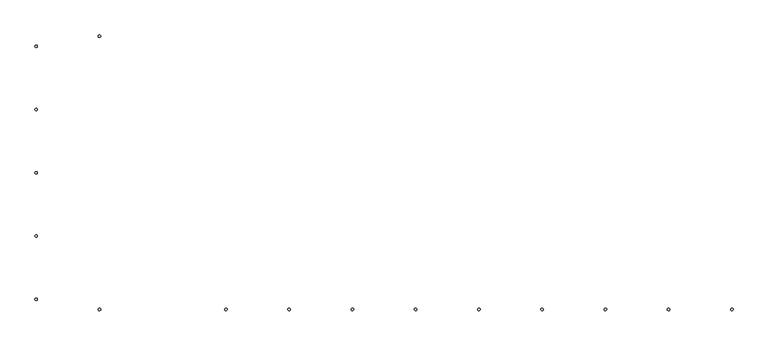
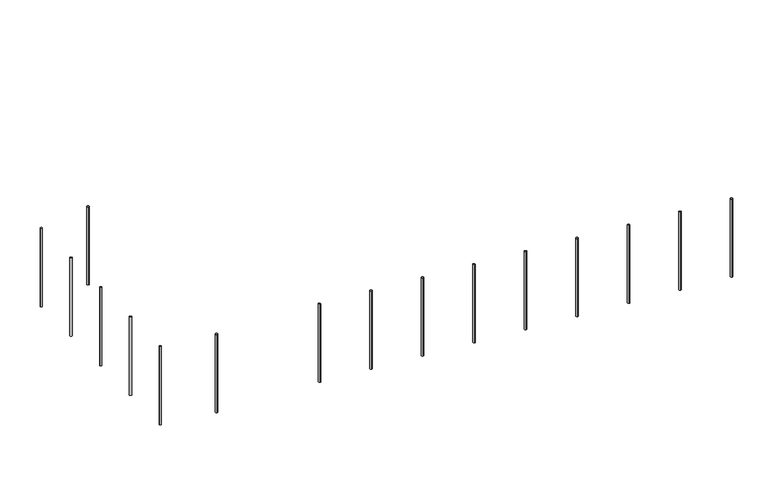
"""IFC4 building model written with IfcOpenShell, lengths in millimetres: railing geometry."""

from ifc_helpers import new_model, si_unit, point, frame, frame_2d, origin, place, context, project, spatial, circle_curve, ellipse_curve, trimmed, segment, composite_curve, outline, extrude, source, transform, mapped, element, save
from ifc_brep_helpers import plane_surface, cylinder_surface, advanced_brep


def railing_62f6c8e6(model_context):
    return source(origin(), model_context, "Body", "SolidModel", [
        extrude(outline(composite_curve([segment(trimmed(circle_curve(frame_2d((7360.0112841, -18536.8920513)), 10.0), [point((7360.0112841, -18526.8920513))], [point((7360.0112841, -18546.8920513))], False, "CARTESIAN"), True, "CONTINUOUS"), segment(trimmed(circle_curve(frame_2d((7360.0112841, -18536.8920513)), 10.0), [point((7360.0112841, -18546.8920513))], [point((7360.0112841, -18526.8920513))], False, "CARTESIAN"), True, "CONTINUOUS")], self_intersect=False)), frame((0.0, 0.0, -740.0), z_axis=(0.0, 0.0, 1.0), x_axis=(1.0, 0.0, 0.0)), (0.0, 0.0, 1.0), 800.0),
        extrude(outline(composite_curve([segment(trimmed(circle_curve(frame_2d((6860.0112841, -18616.8920513)), 10.0), [point((6850.0112841, -18616.8920513))], [point((6870.0112841, -18616.8920513))], False, "CARTESIAN"), True, "CONTINUOUS"), segment(trimmed(circle_curve(frame_2d((6860.0112841, -18616.8920513)), 10.0), [point((6870.0112841, -18616.8920513))], [point((6850.0112841, -18616.8920513))], False, "CARTESIAN"), True, "CONTINUOUS")], self_intersect=False)), frame((0.0, 0.0, -740.0), z_axis=(0.0, 0.0, 1.0), x_axis=(1.0, 0.0, 0.0)), (0.0, 0.0, 1.0), 800.0),
        extrude(outline(composite_curve([segment(trimmed(circle_curve(frame_2d((6860.0112841, -19116.8920513)), 10.0), [point((6850.0112841, -19116.8920513))], [point((6870.0112841, -19116.8920513))], False, "CARTESIAN"), True, "CONTINUOUS"), segment(trimmed(circle_curve(frame_2d((6860.0112841, -19116.8920513)), 10.0), [point((6870.0112841, -19116.8920513))], [point((6850.0112841, -19116.8920513))], False, "CARTESIAN"), True, "CONTINUOUS")], self_intersect=False)), frame((0.0, 0.0, -740.0), z_axis=(0.0, 0.0, 1.0), x_axis=(1.0, 0.0, 0.0)), (0.0, 0.0, 1.0), 800.0),
        extrude(outline(composite_curve([segment(trimmed(circle_curve(frame_2d((6860.0112841, -19616.8920513)), 10.0), [point((6850.0112841, -19616.8920513))], [point((6870.0112841, -19616.8920513))], False, "CARTESIAN"), True, "CONTINUOUS"), segment(trimmed(circle_curve(frame_2d((6860.0112841, -19616.8920513)), 10.0), [point((6870.0112841, -19616.8920513))], [point((6850.0112841, -19616.8920513))], False, "CARTESIAN"), True, "CONTINUOUS")], self_intersect=False)), frame((0.0, 0.0, -740.0), z_axis=(0.0, 0.0, 1.0), x_axis=(1.0, 0.0, 0.0)), (0.0, 0.0, 1.0), 800.0),
        extrude(outline(composite_curve([segment(trimmed(circle_curve(frame_2d((6860.0112841, -20116.8920513)), 10.0), [point((6850.0112841, -20116.8920513))], [point((6870.0112841, -20116.8920513))], False, "CARTESIAN"), True, "CONTINUOUS"), segment(trimmed(circle_curve(frame_2d((6860.0112841, -20116.8920513)), 10.0), [point((6870.0112841, -20116.8920513))], [point((6850.0112841, -20116.8920513))], False, "CARTESIAN"), True, "CONTINUOUS")], self_intersect=False)), frame((0.0, 0.0, -740.0), z_axis=(0.0, 0.0, 1.0), x_axis=(1.0, 0.0, 0.0)), (0.0, 0.0, 1.0), 800.0),
        extrude(outline(composite_curve([segment(trimmed(circle_curve(frame_2d((6860.0112841, -20616.8920513)), 10.0), [point((6850.0112841, -20616.8920513))], [point((6870.0112841, -20616.8920513))], False, "CARTESIAN"), True, "CONTINUOUS"), segment(trimmed(circle_curve(frame_2d((6860.0112841, -20616.8920513)), 10.0), [point((6870.0112841, -20616.8920513))], [point((6850.0112841, -20616.8920513))], False, "CARTESIAN"), True, "CONTINUOUS")], self_intersect=False)), frame((0.0, 0.0, -740.0), z_axis=(0.0, 0.0, 1.0), x_axis=(1.0, 0.0, 0.0)), (0.0, 0.0, 1.0), 800.0),
        extrude(outline(composite_curve([segment(trimmed(circle_curve(frame_2d((7360.0112841, -20696.8920513)), 10.0), [point((7360.0112841, -20706.8920513))], [point((7360.0112841, -20686.8920513))], False, "CARTESIAN"), True, "CONTINUOUS"), segment(trimmed(circle_curve(frame_2d((7360.0112841, -20696.8920513)), 10.0), [point((7360.0112841, -20686.8920513))], [point((7360.0112841, -20706.8920513))], False, "CARTESIAN"), True, "CONTINUOUS")], self_intersect=False)), frame((0.0, 0.0, -740.0), z_axis=(0.0, 0.0, 1.0), x_axis=(1.0, 0.0, 0.0)), (0.0, 0.0, 1.0), 800.0),
        advanced_brep(
        [(8360.0112841, -20686.8920513, 19.8722041), (8360.0112841, -20686.8920513, -780.0), (8360.0112841, -20706.8920513, -780.0), (8360.0112841, -20706.8920513, 19.8722041)],
        [
            (0, 1),
            (1, 2, ellipse_curve(frame((8360.0112841, -20696.8920513, -780.0), z_axis=(0.07974522228288976, 0.0, 0.9968152785361251), x_axis=(-0.9968152785361251, 0.0, 0.07974522228288902)), 10.031949, 10.0)),
            (2, 3),
            (3, 0, ellipse_curve(frame((8360.0112841, -20696.8920513, 19.8722041), z_axis=(-0.07974522228288877, 0.0, -0.9968152785361252), x_axis=(-0.9968152785361252, 0.0, 0.07974522228288722)), 10.031949, 10.0)),
            (0, 3, ellipse_curve(frame((8360.0112841, -20696.8920513, 19.8722041), z_axis=(-0.07974522228288877, 0.0, -0.9968152785361252), x_axis=(-0.9968152785361252, 0.0, 0.07974522228288722)), 10.031949, 10.0)),
            (2, 1, ellipse_curve(frame((8360.0112841, -20696.8920513, -780.0), z_axis=(0.07974522228288976, 0.0, 0.9968152785361251), x_axis=(-0.9968152785361251, 0.0, 0.07974522228288902)), 10.031949, 10.0)),
        ],
        [
            cylinder_surface(frame((8360.0112841, -20696.8920513, -880.0), z_axis=(0.0, 0.0, 1.0), x_axis=(0.0, -1.0, 0.0)), 10.0),
            plane_surface(frame((8340.0112841, -20716.8920513, 21.4722041), z_axis=(0.07974522228288877, 0.0, 0.9968152785361252), x_axis=(0.0, 1.0, 0.0))),
            plane_surface(frame((8380.0112841, -20716.8920513, -781.6), z_axis=(-0.07974522228288976, 0.0, -0.9968152785361251), x_axis=(0.0, 1.0, 0.0))),
        ],
        [
            (0, [[1, 2, 3, 4]]),
            (0, [[-1, 5, -3, 6]]),
            (1, [[-4, -5]]),
            (2, [[-2, -6]]),
        ],
    ),
        advanced_brep(
        [(8860.0112841, -20686.8920513, -20.1277959), (8860.0112841, -20686.8920513, -820.0), (8860.0112841, -20706.8920513, -820.0), (8860.0112841, -20706.8920513, -20.1277959)],
        [
            (0, 1),
            (1, 2, ellipse_curve(frame((8860.0112841, -20696.8920513, -820.0), z_axis=(0.07974522228288976, 0.0, 0.9968152785361251), x_axis=(-0.9968152785361251, 0.0, 0.07974522228288902)), 10.031949, 10.0)),
            (2, 3),
            (3, 0, ellipse_curve(frame((8860.0112841, -20696.8920513, -20.1277959), z_axis=(-0.07974522228288877, 0.0, -0.9968152785361252), x_axis=(-0.9968152785361252, 0.0, 0.07974522228288722)), 10.031949, 10.0)),
            (0, 3, ellipse_curve(frame((8860.0112841, -20696.8920513, -20.1277959), z_axis=(-0.07974522228288877, 0.0, -0.9968152785361252), x_axis=(-0.9968152785361252, 0.0, 0.07974522228288722)), 10.031949, 10.0)),
            (2, 1, ellipse_curve(frame((8860.0112841, -20696.8920513, -820.0), z_axis=(0.07974522228288976, 0.0, 0.9968152785361251), x_axis=(-0.9968152785361251, 0.0, 0.07974522228288902)), 10.031949, 10.0)),
        ],
        [
            cylinder_surface(frame((8860.0112841, -20696.8920513, -920.0), z_axis=(0.0, 0.0, 1.0), x_axis=(0.0, -1.0, 0.0)), 10.0),
            plane_surface(frame((8840.0112841, -20716.8920513, -18.5277959), z_axis=(0.07974522228288877, 0.0, 0.9968152785361252), x_axis=(0.0, 1.0, 0.0))),
            plane_surface(frame((8880.0112841, -20716.8920513, -821.6), z_axis=(-0.07974522228288976, 0.0, -0.9968152785361251), x_axis=(0.0, 1.0, 0.0))),
        ],
        [
            (0, [[1, 2, 3, 4]]),
            (0, [[-1, 5, -3, 6]]),
            (1, [[-4, -5]]),
            (2, [[-2, -6]]),
        ],
    ),
        advanced_brep(
        [(9360.0112841, -20686.8920513, -60.1277959), (9360.0112841, -20686.8920513, -860.0), (9360.0112841, -20706.8920513, -860.0), (9360.0112841, -20706.8920513, -60.1277959)],
        [
            (0, 1),
            (1, 2, ellipse_curve(frame((9360.0112841, -20696.8920513, -860.0), z_axis=(0.07974522228288976, 0.0, 0.9968152785361251), x_axis=(-0.9968152785361251, 0.0, 0.07974522228288902)), 10.031949, 10.0)),
            (2, 3),
            (3, 0, ellipse_curve(frame((9360.0112841, -20696.8920513, -60.1277959), z_axis=(-0.07974522228288877, 0.0, -0.9968152785361252), x_axis=(-0.9968152785361252, 0.0, 0.07974522228288722)), 10.031949, 10.0)),
            (0, 3, ellipse_curve(frame((9360.0112841, -20696.8920513, -60.1277959), z_axis=(-0.07974522228288877, 0.0, -0.9968152785361252), x_axis=(-0.9968152785361252, 0.0, 0.07974522228288722)), 10.031949, 10.0)),
            (2, 1, ellipse_curve(frame((9360.0112841, -20696.8920513, -860.0), z_axis=(0.07974522228288976, 0.0, 0.9968152785361251), x_axis=(-0.9968152785361251, 0.0, 0.07974522228288902)), 10.031949, 10.0)),
        ],
        [
            cylinder_surface(frame((9360.0112841, -20696.8920513, -960.0), z_axis=(0.0, 0.0, 1.0), x_axis=(0.0, -1.0, 0.0)), 10.0),
            plane_surface(frame((9340.0112841, -20716.8920513, -58.5277959), z_axis=(0.07974522228288877, 0.0, 0.9968152785361252), x_axis=(0.0, 1.0, 0.0))),
            plane_surface(frame((9380.0112841, -20716.8920513, -861.6), z_axis=(-0.07974522228288976, 0.0, -0.9968152785361251), x_axis=(0.0, 1.0, 0.0))),
        ],
        [
            (0, [[1, 2, 3, 4]]),
            (0, [[-1, 5, -3, 6]]),
            (1, [[-4, -5]]),
            (2, [[-2, -6]]),
        ],
    ),
        advanced_brep(
        [(9860.0112841, -20686.8920513, -100.1277959), (9860.0112841, -20686.8920513, -900.0), (9860.0112841, -20706.8920513, -900.0), (9860.0112841, -20706.8920513, -100.1277959)],
        [
            (0, 1),
            (1, 2, ellipse_curve(frame((9860.0112841, -20696.8920513, -900.0), z_axis=(0.07974522228288976, 0.0, 0.9968152785361251), x_axis=(-0.9968152785361251, 0.0, 0.07974522228288902)), 10.031949, 10.0)),
            (2, 3),
            (3, 0, ellipse_curve(frame((9860.0112841, -20696.8920513, -100.1277959), z_axis=(-0.07974522228288877, 0.0, -0.9968152785361252), x_axis=(-0.9968152785361252, 0.0, 0.07974522228288722)), 10.031949, 10.0)),
            (0, 3, ellipse_curve(frame((9860.0112841, -20696.8920513, -100.1277959), z_axis=(-0.07974522228288877, 0.0, -0.9968152785361252), x_axis=(-0.9968152785361252, 0.0, 0.07974522228288722)), 10.031949, 10.0)),
            (2, 1, ellipse_curve(frame((9860.0112841, -20696.8920513, -900.0), z_axis=(0.07974522228288976, 0.0, 0.9968152785361251), x_axis=(-0.9968152785361251, 0.0, 0.07974522228288902)), 10.031949, 10.0)),
        ],
        [
            cylinder_surface(frame((9860.0112841, -20696.8920513, -1000.0), z_axis=(0.0, 0.0, 1.0), x_axis=(0.0, -1.0, 0.0)), 10.0),
            plane_surface(frame((9840.0112841, -20716.8920513, -98.5277959), z_axis=(0.07974522228288877, 0.0, 0.9968152785361252), x_axis=(0.0, 1.0, 0.0))),
            plane_surface(frame((9880.0112841, -20716.8920513, -901.6), z_axis=(-0.07974522228288976, 0.0, -0.9968152785361251), x_axis=(0.0, 1.0, 0.0))),
        ],
        [
            (0, [[1, 2, 3, 4]]),
            (0, [[-1, 5, -3, 6]]),
            (1, [[-4, -5]]),
            (2, [[-2, -6]]),
        ],
    ),
        advanced_brep(
        [(10360.0112841, -20686.8920513, -140.1277959), (10360.0112841, -20686.8920513, -940.0), (10360.0112841, -20706.8920513, -940.0), (10360.0112841, -20706.8920513, -140.1277959)],
        [
            (0, 1),
            (1, 2, ellipse_curve(frame((10360.0112841, -20696.8920513, -940.0), z_axis=(0.07974522228288976, 0.0, 0.9968152785361251), x_axis=(-0.9968152785361251, 0.0, 0.07974522228288902)), 10.031949, 10.0)),
            (2, 3),
            (3, 0, ellipse_curve(frame((10360.0112841, -20696.8920513, -140.1277959), z_axis=(-0.07974522228288877, 0.0, -0.9968152785361252), x_axis=(-0.9968152785361252, 0.0, 0.07974522228288722)), 10.031949, 10.0)),
            (0, 3, ellipse_curve(frame((10360.0112841, -20696.8920513, -140.1277959), z_axis=(-0.07974522228288877, 0.0, -0.9968152785361252), x_axis=(-0.9968152785361252, 0.0, 0.07974522228288722)), 10.031949, 10.0)),
            (2, 1, ellipse_curve(frame((10360.0112841, -20696.8920513, -940.0), z_axis=(0.07974522228288976, 0.0, 0.9968152785361251), x_axis=(-0.9968152785361251, 0.0, 0.07974522228288902)), 10.031949, 10.0)),
        ],
        [
            cylinder_surface(frame((10360.0112841, -20696.8920513, -1040.0), z_axis=(0.0, 0.0, 1.0), x_axis=(0.0, -1.0, 0.0)), 10.0),
            plane_surface(frame((10340.0112841, -20716.8920513, -138.5277959), z_axis=(0.07974522228288877, 0.0, 0.9968152785361252), x_axis=(0.0, 1.0, 0.0))),
            plane_surface(frame((10380.0112841, -20716.8920513, -941.6), z_axis=(-0.07974522228288976, 0.0, -0.9968152785361251), x_axis=(0.0, 1.0, 0.0))),
        ],
        [
            (0, [[1, 2, 3, 4]]),
            (0, [[-1, 5, -3, 6]]),
            (1, [[-4, -5]]),
            (2, [[-2, -6]]),
        ],
    ),
        advanced_brep(
        [(10860.0112841, -20686.8920513, -180.1277959), (10860.0112841, -20686.8920513, -980.0), (10860.0112841, -20706.8920513, -980.0), (10860.0112841, -20706.8920513, -180.1277959)],
        [
            (0, 1),
            (1, 2, ellipse_curve(frame((10860.0112841, -20696.8920513, -980.0), z_axis=(0.07974522228288976, 0.0, 0.9968152785361251), x_axis=(-0.9968152785361251, 0.0, 0.07974522228288902)), 10.031949, 10.0)),
            (2, 3),
            (3, 0, ellipse_curve(frame((10860.0112841, -20696.8920513, -180.1277959), z_axis=(-0.07974522228288877, 0.0, -0.9968152785361252), x_axis=(-0.9968152785361252, 0.0, 0.07974522228288722)), 10.031949, 10.0)),
            (0, 3, ellipse_curve(frame((10860.0112841, -20696.8920513, -180.1277959), z_axis=(-0.07974522228288877, 0.0, -0.9968152785361252), x_axis=(-0.9968152785361252, 0.0, 0.07974522228288722)), 10.031949, 10.0)),
            (2, 1, ellipse_curve(frame((10860.0112841, -20696.8920513, -980.0), z_axis=(0.07974522228288976, 0.0, 0.9968152785361251), x_axis=(-0.9968152785361251, 0.0, 0.07974522228288902)), 10.031949, 10.0)),
        ],
        [
            cylinder_surface(frame((10860.0112841, -20696.8920513, -1080.0), z_axis=(0.0, 0.0, 1.0), x_axis=(0.0, -1.0, 0.0)), 10.0),
            plane_surface(frame((10840.0112841, -20716.8920513, -178.5277959), z_axis=(0.07974522228288877, 0.0, 0.9968152785361252), x_axis=(0.0, 1.0, 0.0))),
            plane_surface(frame((10880.0112841, -20716.8920513, -981.6), z_axis=(-0.07974522228288976, 0.0, -0.9968152785361251), x_axis=(0.0, 1.0, 0.0))),
        ],
        [
            (0, [[1, 2, 3, 4]]),
            (0, [[-1, 5, -3, 6]]),
            (1, [[-4, -5]]),
            (2, [[-2, -6]]),
        ],
    ),
        advanced_brep(
        [(11360.0112841, -20686.8920513, -220.1277959), (11360.0112841, -20686.8920513, -1020.0), (11360.0112841, -20706.8920513, -1020.0), (11360.0112841, -20706.8920513, -220.1277959)],
        [
            (0, 1),
            (1, 2, ellipse_curve(frame((11360.0112841, -20696.8920513, -1020.0), z_axis=(0.07974522228288976, 0.0, 0.9968152785361251), x_axis=(-0.9968152785361251, 0.0, 0.07974522228288902)), 10.031949, 10.0)),
            (2, 3),
            (3, 0, ellipse_curve(frame((11360.0112841, -20696.8920513, -220.1277959), z_axis=(-0.07974522228288877, 0.0, -0.9968152785361252), x_axis=(-0.9968152785361252, 0.0, 0.07974522228288722)), 10.031949, 10.0)),
            (0, 3, ellipse_curve(frame((11360.0112841, -20696.8920513, -220.1277959), z_axis=(-0.07974522228288877, 0.0, -0.9968152785361252), x_axis=(-0.9968152785361252, 0.0, 0.07974522228288722)), 10.031949, 10.0)),
            (2, 1, ellipse_curve(frame((11360.0112841, -20696.8920513, -1020.0), z_axis=(0.07974522228288976, 0.0, 0.9968152785361251), x_axis=(-0.9968152785361251, 0.0, 0.07974522228288902)), 10.031949, 10.0)),
        ],
        [
            cylinder_surface(frame((11360.0112841, -20696.8920513, -1120.0), z_axis=(0.0, 0.0, 1.0), x_axis=(0.0, -1.0, 0.0)), 10.0),
            plane_surface(frame((11340.0112841, -20716.8920513, -218.5277959), z_axis=(0.07974522228288877, 0.0, 0.9968152785361252), x_axis=(0.0, 1.0, 0.0))),
            plane_surface(frame((11380.0112841, -20716.8920513, -1021.6), z_axis=(-0.07974522228288976, 0.0, -0.9968152785361251), x_axis=(0.0, 1.0, 0.0))),
        ],
        [
            (0, [[1, 2, 3, 4]]),
            (0, [[-1, 5, -3, 6]]),
            (1, [[-4, -5]]),
            (2, [[-2, -6]]),
        ],
    ),
        advanced_brep(
        [(11860.0112841, -20686.8920513, -260.1277959), (11860.0112841, -20686.8920513, -1060.0), (11860.0112841, -20706.8920513, -1060.0), (11860.0112841, -20706.8920513, -260.1277959)],
        [
            (0, 1),
            (1, 2, ellipse_curve(frame((11860.0112841, -20696.8920513, -1060.0), z_axis=(0.07974522228288976, 0.0, 0.9968152785361251), x_axis=(-0.9968152785361251, 0.0, 0.07974522228288902)), 10.031949, 10.0)),
            (2, 3),
            (3, 0, ellipse_curve(frame((11860.0112841, -20696.8920513, -260.1277959), z_axis=(-0.07974522228288877, 0.0, -0.9968152785361252), x_axis=(-0.9968152785361252, 0.0, 0.07974522228288722)), 10.031949, 10.0)),
            (0, 3, ellipse_curve(frame((11860.0112841, -20696.8920513, -260.1277959), z_axis=(-0.07974522228288877, 0.0, -0.9968152785361252), x_axis=(-0.9968152785361252, 0.0, 0.07974522228288722)), 10.031949, 10.0)),
            (2, 1, ellipse_curve(frame((11860.0112841, -20696.8920513, -1060.0), z_axis=(0.07974522228288976, 0.0, 0.9968152785361251), x_axis=(-0.9968152785361251, 0.0, 0.07974522228288902)), 10.031949, 10.0)),
        ],
        [
            cylinder_surface(frame((11860.0112841, -20696.8920513, -1160.0), z_axis=(0.0, 0.0, 1.0), x_axis=(0.0, -1.0, 0.0)), 10.0),
            plane_surface(frame((11840.0112841, -20716.8920513, -258.5277959), z_axis=(0.07974522228288877, 0.0, 0.9968152785361252), x_axis=(0.0, 1.0, 0.0))),
            plane_surface(frame((11880.0112841, -20716.8920513, -1061.6), z_axis=(-0.07974522228288976, 0.0, -0.9968152785361251), x_axis=(0.0, 1.0, 0.0))),
        ],
        [
            (0, [[1, 2, 3, 4]]),
            (0, [[-1, 5, -3, 6]]),
            (1, [[-4, -5]]),
            (2, [[-2, -6]]),
        ],
    ),
        advanced_brep(
        [(12360.0112841, -20686.8920513, -300.1277959), (12360.0112841, -20686.8920513, -1100.0), (12360.0112841, -20706.8920513, -1100.0), (12360.0112841, -20706.8920513, -300.1277959)],
        [
            (0, 1),
            (1, 2, ellipse_curve(frame((12360.0112841, -20696.8920513, -1100.0), z_axis=(0.07974522228288976, 0.0, 0.9968152785361251), x_axis=(-0.9968152785361251, 0.0, 0.07974522228288902)), 10.031949, 10.0)),
            (2, 3),
            (3, 0, ellipse_curve(frame((12360.0112841, -20696.8920513, -300.1277959), z_axis=(-0.07974522228288877, 0.0, -0.9968152785361252), x_axis=(-0.9968152785361252, 0.0, 0.07974522228288722)), 10.031949, 10.0)),
            (0, 3, ellipse_curve(frame((12360.0112841, -20696.8920513, -300.1277959), z_axis=(-0.07974522228288877, 0.0, -0.9968152785361252), x_axis=(-0.9968152785361252, 0.0, 0.07974522228288722)), 10.031949, 10.0)),
            (2, 1, ellipse_curve(frame((12360.0112841, -20696.8920513, -1100.0), z_axis=(0.07974522228288976, 0.0, 0.9968152785361251), x_axis=(-0.9968152785361251, 0.0, 0.07974522228288902)), 10.031949, 10.0)),
        ],
        [
            cylinder_surface(frame((12360.0112841, -20696.8920513, -1200.0), z_axis=(0.0, 0.0, 1.0), x_axis=(0.0, -1.0, 0.0)), 10.0),
            plane_surface(frame((12340.0112841, -20716.8920513, -298.5277959), z_axis=(0.07974522228288877, 0.0, 0.9968152785361252), x_axis=(0.0, 1.0, 0.0))),
            plane_surface(frame((12380.0112841, -20716.8920513, -1101.6), z_axis=(-0.07974522228288976, 0.0, -0.9968152785361251), x_axis=(0.0, 1.0, 0.0))),
        ],
        [
            (0, [[1, 2, 3, 4]]),
            (0, [[-1, 5, -3, 6]]),
            (1, [[-4, -5]]),
            (2, [[-2, -6]]),
        ],
    ),
    ])


if __name__ == "__main__":
    model = new_model("IFC4")
    model_context = context("Model", 3, world=origin())
    ifc_project = project(units=[si_unit("LENGTHUNIT", "METRE", prefix="MILLI")], contexts=[model_context])
    site = spatial("IfcSite", under=ifc_project)
    building = spatial("IfcBuilding", under=site)
    placement = place(None, origin())
    railing_shape = railing_62f6c8e6(model_context)
    element("IfcRailing", 1, at=placement, inside=building, context=model_context, shape_type="MappedRepresentation", body=[
        mapped(railing_shape, transform((0.0, 0.0, 0.0), x_axis=(1.0, 0.0, 0.0), y_axis=(0.0, 1.0, 0.0), z_axis=(0.0, 0.0, 1.0))),
    ])
    save(model, "model.ifc")
